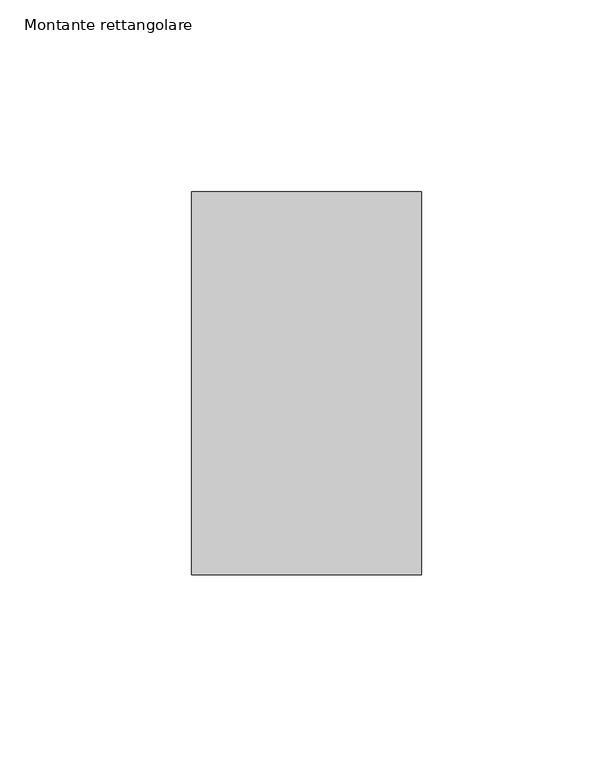
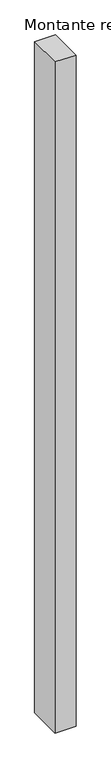
"""IFC4 building model written with IfcOpenShell, lengths in millimetres: member geometry, Montante rettangolare."""

from ifc_helpers import new_model, si_unit, frame, origin, place, context, project, spatial, polyline, outline, extrude, source, transform, mapped, element, save


def montante_rettangolare_dc5c66d0(model_context):
    return source(origin(), model_context, "Body", "SweptSolid", [
        extrude(outline(polyline([(30.0, 50.0), (30.0, -50.0), (-30.0, -50.0), (-30.0, 50.0), (30.0, 50.0)])), frame((0.0, 0.0, -2025.0), z_axis=(0.0, 0.0, 1.0), x_axis=(1.0, 0.0, 0.0)), (0.0, 0.0, 1.0), 2025.0),
    ])


if __name__ == "__main__":
    model = new_model("IFC4")
    model_context = context("Model", 3, world=origin())
    ifc_project = project(units=[si_unit("LENGTHUNIT", "METRE", prefix="MILLI")], contexts=[model_context])
    site = spatial("IfcSite", under=ifc_project)
    building = spatial("IfcBuilding", under=site)
    placement = place(None, origin())
    montante_rettangolare_shape = montante_rettangolare_dc5c66d0(model_context)
    element("IfcMember", 1, ObjectType="Montante rettangolare", at=placement, inside=building, context=model_context, shape_type="MappedRepresentation", body=[
        mapped(montante_rettangolare_shape, transform((0.0, 0.0, 0.0), x_axis=(1.0, 0.0, 0.0), y_axis=(0.0, 1.0, 0.0), z_axis=(0.0, 0.0, 1.0))),
    ])
    save(model, "model.ifc")
